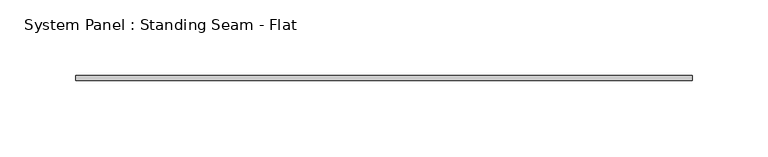
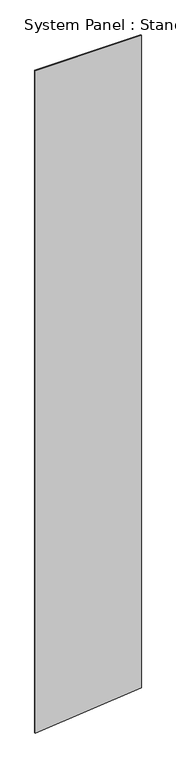
"""IFC4 building model written with IfcOpenShell, lengths in millimetres: plate geometry, System Panel : Standing Seam - Flat."""

from ifc_helpers import new_model, si_unit, frame, origin, place, context, project, spatial, polyline, outline, extrude, source, transform, mapped, element, save


def system_panel_standing_seam_flat_029057ad(model_context):
    return source(origin(), model_context, "Body", "SweptSolid", [
        extrude(outline(polyline([(0.0, -203.2), (41.2973855, 203.2), (2681.5057599, 203.2), (2681.5057599, -203.2), (0.0, -203.2)])), frame((0.0, -1.5875, 0.0), z_axis=(0.0, 1.0, 0.0), x_axis=(0.0, 0.0, 1.0)), (0.0, 0.0, 1.0), 3.175),
    ])


if __name__ == "__main__":
    model = new_model("IFC4")
    model_context = context("Model", 3, world=origin())
    ifc_project = project(units=[si_unit("LENGTHUNIT", "METRE", prefix="MILLI")], contexts=[model_context])
    site = spatial("IfcSite", under=ifc_project)
    building = spatial("IfcBuilding", under=site)
    placement = place(None, origin())
    system_panel_standing_seam_flat_shape = system_panel_standing_seam_flat_029057ad(model_context)
    element("IfcPlate", 1, ObjectType="System Panel : Standing Seam - Flat", at=placement, inside=building, context=model_context, shape_type="MappedRepresentation", body=[
        mapped(system_panel_standing_seam_flat_shape, transform((0.0, 0.0, 0.0), x_axis=(1.0, 0.0, 0.0), y_axis=(0.0, 1.0, 0.0), z_axis=(0.0, 0.0, 1.0))),
    ])
    save(model, "model.ifc")
